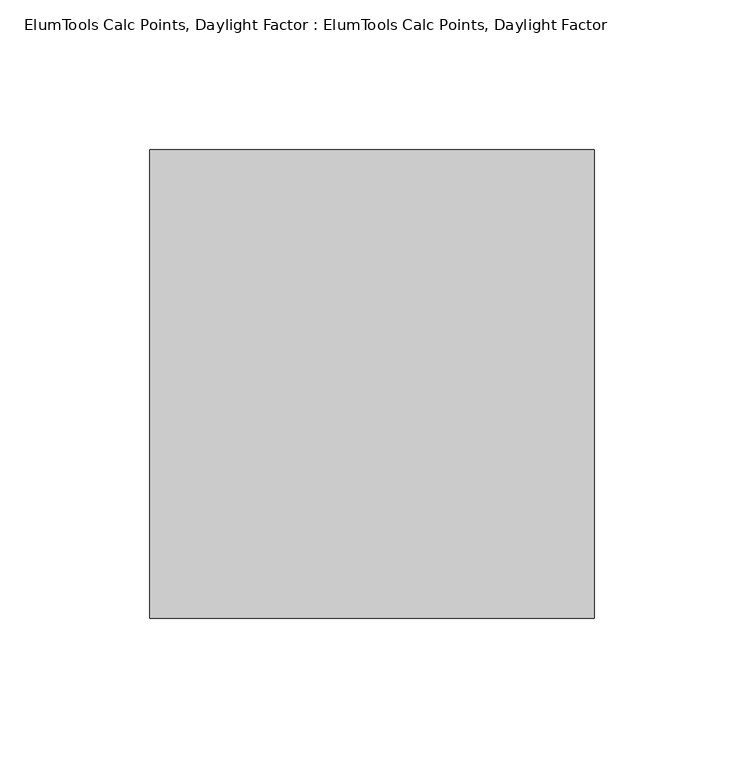
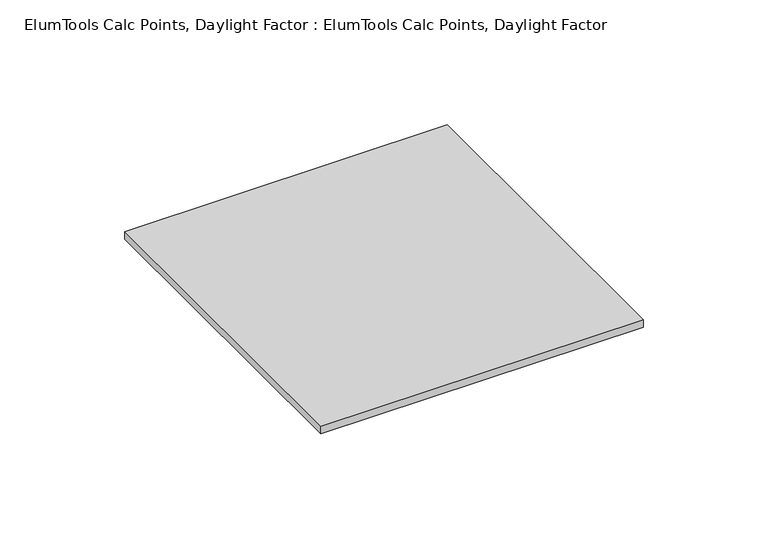
"""IFC4 building model written with IfcOpenShell, lengths in millimetres: proxy geometry, ElumTools Calc Points, Daylight Factor : ElumTools Calc Points, Daylight Factor."""

from ifc_helpers import new_model, si_unit, origin, origin_with_axes, place, context, project, spatial, polyline, outline, extrude, source, transform, mapped, element, save


def elumtools_calc_points_daylight_factor_elumtools_calc_points_021866ac(model_context):
    return source(origin(), model_context, "Body", "SweptSolid", [
        extrude(outline(polyline([(-74.377296, -78.4098), (-74.377296, 78.4098), (74.377296, 78.4098), (74.377296, -78.4098), (-74.377296, -78.4098)])), origin_with_axes(), (0.0, 0.0, 1.0), 3.6957),
    ])


if __name__ == "__main__":
    model = new_model("IFC4")
    model_context = context("Model", 3, world=origin())
    ifc_project = project(units=[si_unit("LENGTHUNIT", "METRE", prefix="MILLI")], contexts=[model_context])
    site = spatial("IfcSite", under=ifc_project)
    building = spatial("IfcBuilding", under=site)
    placement = place(None, origin())
    elumtools_calc_points_daylight_factor_elumtools_calc_points_shape = elumtools_calc_points_daylight_factor_elumtools_calc_points_021866ac(model_context)
    element("IfcBuildingElementProxy", 1, Name="ElumTools Calc Points, Daylight Factor : ElumTools Calc Points, Daylight Factor", ObjectType="ElumTools Calc Points, Daylight Factor : ElumTools Calc Points, Daylight Factor", at=placement, inside=building, context=model_context, shape_type="MappedRepresentation", body=[
        mapped(elumtools_calc_points_daylight_factor_elumtools_calc_points_shape, transform((0.0, 0.0, 0.0), x_axis=(1.0, 0.0, 0.0), y_axis=(0.0, 1.0, 0.0), z_axis=(0.0, 0.0, 1.0))),
    ])
    save(model, "model.ifc")
